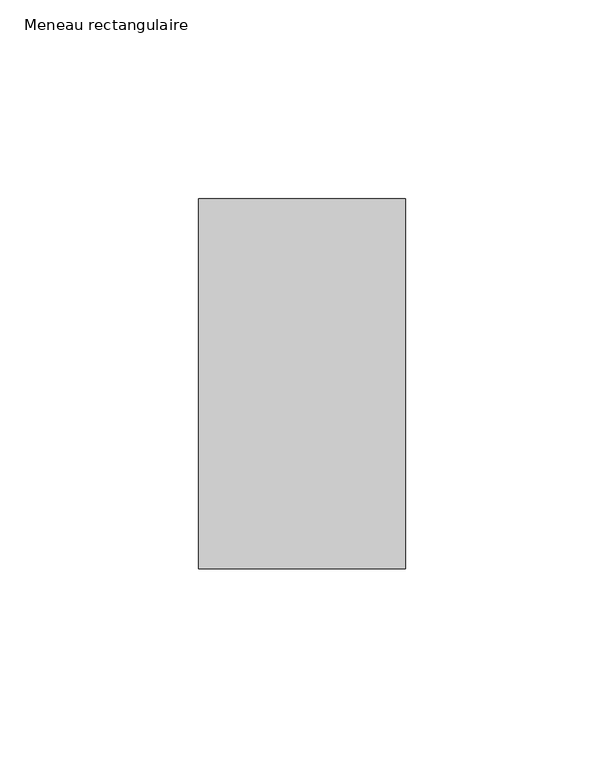
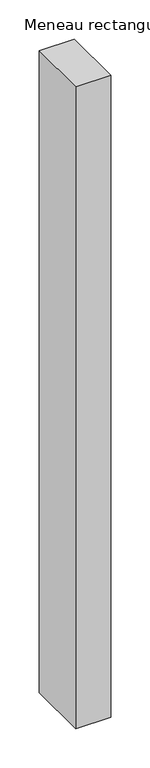
"""IFC4 building model written with IfcOpenShell, lengths in millimetres: member geometry, Meneau rectangulaire."""

import ifcopenshell
import ifcopenshell.guid

model = None  # the IFC model being written
_history = None  # IfcOwnerHistory: only IFC2X3 demands one
_inside = {}  # id of a spatial element -> (the spatial element, [elements in it])
_under = {}  # id of a project, library or spatial element -> (it, [spatial elements below it])
_declared = {}  # id of a project -> (the project, [libraries it declares])
_typed = {}  # id of a type object -> (the type object, [elements of that type])
_made_of = {}  # id of a material, layer set ... -> (it, [elements and type objects made of it])


def new_model(schema):
    """Start an empty IFC model of exactly this schema.

    Asked for "IFC4X3", IfcOpenShell would pick the latest addendum, in which some entities
    have other attributes; the version numbers below select the first issue.
    IFC2X3 requires an IfcOwnerHistory on every rooted entity: one is made here for all.
    """
    global model, _history
    if schema == "IFC4X3":
        model = ifcopenshell.file(schema_version=(4, 3, 0, 0))
    else:
        model = ifcopenshell.file(schema=schema)
    _inside.clear()
    _under.clear()
    _declared.clear()
    _typed.clear()
    _made_of.clear()
    _history = None
    if model.schema == "IFC2X3":
        org = make("IfcOrganization", Name="unknown")
        user = make(
            "IfcPersonAndOrganization",
            ThePerson=make("IfcPerson", FamilyName="unknown"),
            TheOrganization=org,
        )
        app = make(
            "IfcApplication",
            ApplicationDeveloper=org,
            Version="unknown",
            ApplicationFullName="unknown",
            ApplicationIdentifier="unknown",
        )
        _history = make(
            "IfcOwnerHistory",
            OwningUser=user,
            OwningApplication=app,
            ChangeAction="ADDED",
            CreationDate=0,
        )
    return model


def make(cls, **values):
    """One entity of the class cls with the attributes given. An attribute that is None is left unset."""
    return model.create_entity(
        cls, **{name: value for name, value in values.items() if value is not None}
    )


def rooted(cls, **values):
    """An entity with a GlobalId (a new one), such as an element, a storey or a relation."""
    return make(cls, GlobalId=ifcopenshell.guid.new(), OwnerHistory=_history, **values)


def si_unit(unit_type, name, prefix=None):
    """IfcSIUnit, for example si_unit("LENGTHUNIT", "METRE", prefix="MILLI")."""
    return make("IfcSIUnit", UnitType=unit_type, Prefix=prefix, Name=name)


def assignment(units):
    """IfcUnitAssignment: the units of a project."""
    return None if units is None else make("IfcUnitAssignment", Units=units)


def point(xyz):
    """IfcCartesianPoint."""
    return None if xyz is None else make("IfcCartesianPoint", Coordinates=xyz)


def direction(xyz):
    """IfcDirection."""
    return None if xyz is None else make("IfcDirection", DirectionRatios=xyz)


def frame(location, z_axis=None, x_axis=None):
    """IfcAxis2Placement3D, a coordinate frame: its origin and axes. An axis left out is left unset."""
    return make(
        "IfcAxis2Placement3D",
        Location=point(location),
        Axis=direction(z_axis),
        RefDirection=direction(x_axis),
    )


def origin():
    """The frame at (0, 0, 0) with its axes left unset."""
    return frame((0.0, 0.0, 0.0))


def place(relative_to, where):
    """IfcLocalPlacement: puts the frame where relative to a parent placement (None: the world)."""
    return make(
        "IfcLocalPlacement", PlacementRelTo=relative_to, RelativePlacement=where
    )


def context(
    kind, dimensions, precision=None, world=None, true_north=None, identifier=None
):
    """IfcGeometricRepresentationContext, for example the 3D "Model" context."""
    return make(
        "IfcGeometricRepresentationContext",
        ContextIdentifier=identifier,
        ContextType=kind,
        CoordinateSpaceDimension=dimensions,
        Precision=precision,
        WorldCoordinateSystem=world,
        TrueNorth=true_north,
    )


def project(units=None, contexts=None):
    """IfcProject with its units and contexts."""
    return rooted(
        "IfcProject",
        Name="project",
        RepresentationContexts=contexts,
        UnitsInContext=assignment(units),
    )


def spatial(cls, under=None, at=None, **own):
    """A site, building, storey or space (cls), placed at a placement, below another one or the project."""
    s = rooted(cls, ObjectPlacement=at, **own)
    if under is not None:
        _under.setdefault(under.id(), (under, []))[1].append(s)
    return s


def polyline(points):
    """IfcPolyline through the points."""
    return make("IfcPolyline", Points=[point(p) for p in points])


def outline(outer, holes=None, kind="AREA"):
    """IfcArbitraryClosedProfileDef: a profile drawn as a closed curve; with holes, ...WithVoids."""
    if holes is None:
        return make("IfcArbitraryClosedProfileDef", ProfileType=kind, OuterCurve=outer)
    return make(
        "IfcArbitraryProfileDefWithVoids",
        ProfileType=kind,
        OuterCurve=outer,
        InnerCurves=holes,
    )


def extrude(swept, where, along, depth):
    """IfcExtrudedAreaSolid: the profile swept, set in the frame where, extruded along a direction by depth."""
    return make(
        "IfcExtrudedAreaSolid",
        SweptArea=swept,
        Position=where,
        ExtrudedDirection=direction(along),
        Depth=depth,
    )


def shape(context_of_items, identifier, shape_type, items):
    """IfcShapeRepresentation: the items that make up one representation, for example the "Body"."""
    return make(
        "IfcShapeRepresentation",
        ContextOfItems=context_of_items,
        RepresentationIdentifier=identifier,
        RepresentationType=shape_type,
        Items=items,
    )


def source(mapping_origin, context_of_items, identifier, shape_type, items):
    """IfcRepresentationMap: a shape defined once, which mapped items show again and again."""
    return make(
        "IfcRepresentationMap",
        MappingOrigin=mapping_origin,
        MappedRepresentation=shape(context_of_items, identifier, shape_type, items),
    )


def transform(
    local_origin,
    x_axis=None,
    y_axis=None,
    z_axis=None,
    scale=None,
    scale2=None,
    scale3=None,
    uniform=True,
):
    """IfcCartesianTransformationOperator3D, or its non-uniform kind. x_axis, y_axis, z_axis: its Axis1, 2, 3."""
    if uniform:
        return make(
            "IfcCartesianTransformationOperator3D",
            Axis1=direction(x_axis),
            Axis2=direction(y_axis),
            LocalOrigin=point(local_origin),
            Scale=scale,
            Axis3=direction(z_axis),
        )
    return make(
        "IfcCartesianTransformationOperator3DnonUniform",
        Axis1=direction(x_axis),
        Axis2=direction(y_axis),
        LocalOrigin=point(local_origin),
        Scale=scale,
        Axis3=direction(z_axis),
        Scale2=scale2,
        Scale3=scale3,
    )


def mapped(mapping_source, mapping_target):
    """IfcMappedItem: shows the shape of a source again, moved by a transform."""
    return make(
        "IfcMappedItem", MappingSource=mapping_source, MappingTarget=mapping_target
    )


def made_of(thing, what):
    """Note that an element or type object is made of a material, layer set ...; save() writes the relation."""
    if what is not None:
        _made_of.setdefault(what.id(), (what, []))[1].append(thing)
    return thing


def element(
    cls,
    number,
    at=None,
    inside=None,
    cuts=None,
    type_object=None,
    material=None,
    context=None,
    identifier="Body",
    shape_type=None,
    held_by="IfcProductDefinitionShape",
    body=None,
    shapes=None,
    **own,
):
    """One element of the class cls, such as IfcWall. Its Tag is "e" and its number.

    at: its placement. inside: the storey or other place that contains it. cuts: it is an
    opening in that element (IfcRelVoidsElement). A single representation is given by context,
    identifier, shape_type and body (its items); several are given by shapes. held_by: the class
    of the entity that holds the representations. save() writes the other relations.
    """
    e = rooted(cls, Tag="e%d" % number, ObjectPlacement=at, **own)
    if body is not None:
        shapes = [shape(context, identifier, shape_type, body)]
    if shapes is not None:
        e.Representation = make(held_by, Representations=shapes)
    if inside is not None:
        _inside.setdefault(inside.id(), (inside, []))[1].append(e)
    if cuts is not None:
        rooted(
            "IfcRelVoidsElement", RelatingBuildingElement=cuts, RelatedOpeningElement=e
        )
    if type_object is not None:
        _typed.setdefault(type_object.id(), (type_object, []))[1].append(e)
    return made_of(e, material)


def aggregate(whole, parts):
    """IfcRelAggregates: a whole, such as a stair, and the parts it consists of."""
    return rooted("IfcRelAggregates", RelatingObject=whole, RelatedObjects=parts)


def save(model, path):
    """Write the relations noted so far, then the file.

    IfcRelAggregates (storeys below a building ...), IfcRelContainedInSpatialStructure (elements
    in a storey), IfcRelDefinesByType, IfcRelAssociatesMaterial and IfcRelDeclares: one each for
    every whole, place, type object, material and project.
    """
    for whole, parts in _under.values():
        aggregate(whole, parts)
    for where, things in _inside.values():
        rooted(
            "IfcRelContainedInSpatialStructure",
            RelatedElements=things,
            RelatingStructure=where,
        )
    for kind, things in _typed.values():
        rooted("IfcRelDefinesByType", RelatedObjects=things, RelatingType=kind)
    for what, things in _made_of.values():
        rooted("IfcRelAssociatesMaterial", RelatedObjects=things, RelatingMaterial=what)
    for by, libraries in _declared.values():
        rooted("IfcRelDeclares", RelatingContext=by, RelatedDefinitions=libraries)
    model.write(path)


def meneau_rectangulaire_0dffee45(model_context):
    return source(origin(), model_context, "Body", "SweptSolid", [
        extrude(outline(polyline([(-52.0, 46.5), (0.0, 46.5), (0.0, -46.5), (-52.0, -46.5), (-52.0, 46.5)])), frame((0.0, 0.0, -1001.5497353), z_axis=(0.0, 0.0, 1.0), x_axis=(1.0, 0.0, 0.0)), (0.0, 0.0, 1.0), 1001.5497353),
    ])


if __name__ == "__main__":
    model = new_model("IFC4")
    model_context = context("Model", 3, world=origin())
    ifc_project = project(units=[si_unit("LENGTHUNIT", "METRE", prefix="MILLI")], contexts=[model_context])
    site = spatial("IfcSite", under=ifc_project)
    building = spatial("IfcBuilding", under=site)
    placement = place(None, origin())
    meneau_rectangulaire_shape = meneau_rectangulaire_0dffee45(model_context)
    element("IfcMember", 1, ObjectType="Meneau rectangulaire", at=placement, inside=building, context=model_context, shape_type="MappedRepresentation", body=[
        mapped(meneau_rectangulaire_shape, transform((0.0, 0.0, 0.0), x_axis=(1.0, 0.0, 0.0), y_axis=(0.0, 1.0, 0.0), z_axis=(0.0, 0.0, 1.0))),
    ])
    save(model, "model.ifc")
